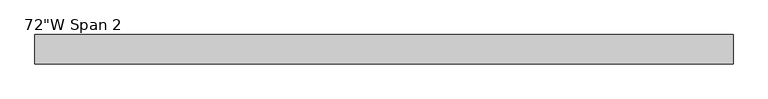
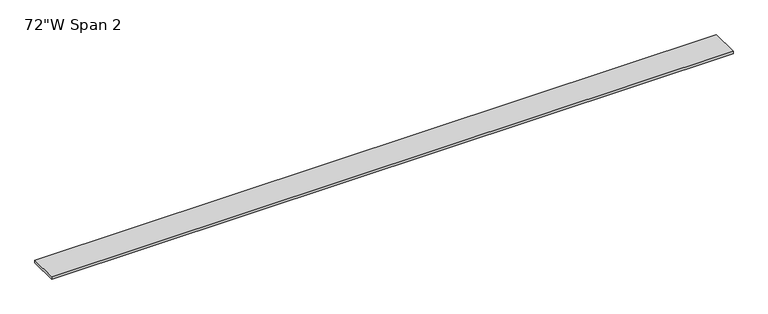
"""IFC4 building model written with IfcOpenShell, lengths in millimetres: furniture geometry."""

from ifc_helpers import new_model, si_unit, frame, origin, place, context, project, spatial, polyline, outline, extrude, source, transform, mapped, element, save


def furniture_3eeb848e(model_context):
    return source(origin(), model_context, "Body", "SweptSolid", [
        extrude(outline(polyline([(858.41205, 38.735), (858.41205, -38.735), (-970.38795, -38.735), (-970.38795, 38.735), (858.41205, 38.735)])), frame((0.0, 0.0, 1048.766), z_axis=(0.0, 0.0, 1.0), x_axis=(1.0, 0.0, 0.0)), (0.0, 0.0, 1.0), 6.858),
    ])


if __name__ == "__main__":
    model = new_model("IFC4")
    model_context = context("Model", 3, world=origin())
    ifc_project = project(units=[si_unit("LENGTHUNIT", "METRE", prefix="MILLI")], contexts=[model_context])
    site = spatial("IfcSite", under=ifc_project)
    building = spatial("IfcBuilding", under=site)
    placement = place(None, origin())
    furniture_shape = furniture_3eeb848e(model_context)
    element("IfcFurniture", 1, ObjectType="72\"W Span 2", at=placement, inside=building, context=model_context, shape_type="MappedRepresentation", body=[
        mapped(furniture_shape, transform((0.0, 0.0, 0.0), x_axis=(1.0, 0.0, 0.0), y_axis=(0.0, 1.0, 0.0), z_axis=(0.0, 0.0, 1.0))),
    ])
    save(model, "model.ifc")
